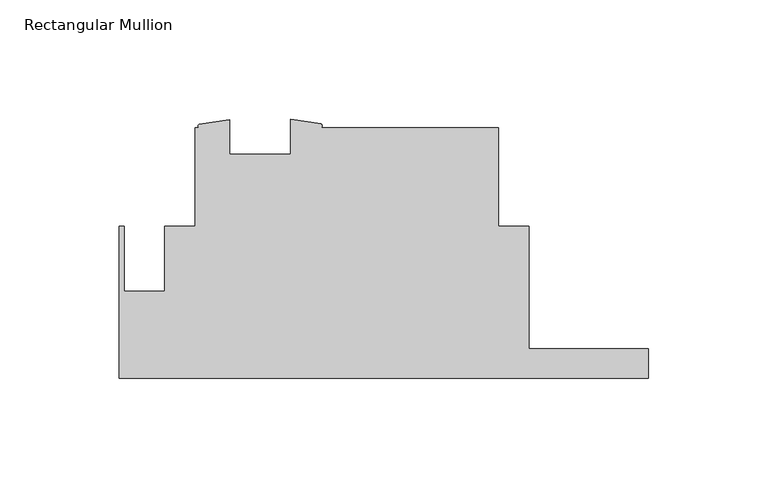
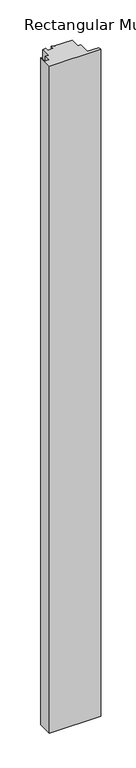
"""IFC4 building model written with IfcOpenShell, lengths in millimetres: member geometry, Rectangular Mullion."""

from ifc_helpers import new_model, si_unit, point, frame, frame_2d, origin, place, context, project, spatial, polyline, circle_curve, trimmed, segment, composite_curve, outline, extrude, source, transform, mapped, element, save


def rectangular_mullion_c53fd9e2(model_context):
    return source(origin(), model_context, "Body", "SweptSolid", [
        extrude(outline(composite_curve([segment(polyline([(0.0, -62.4288555), (-221.4879999, -62.4288555), (-221.4879999, 1.0711442), (-219.4559999, 1.0711442), (-219.4559999, -26.0886564), (-202.5553426, -26.0886564), (-202.5553426, 1.0965445), (-189.7390309, 1.0965445), (-189.7390309, 42.3461442), (-188.0067934, 42.3461442)]), True, "CONTINUOUS"), segment(trimmed(circle_curve(frame_2d((-187.5524763, 43.1390923)), 0.9138768), [point((-188.0067934, 42.3461442))], [point((-188.0067934, 43.9320404))], False, "CARTESIAN"), True, "CONTINUOUS"), segment(polyline([(-188.0067934, 43.9320404), (-175.2355059, 45.7421442), (-175.2355059, 31.2336442), (-149.8355059, 31.2336442), (-149.8355059, 45.8656659), (-137.0624531, 44.0095486)]), True, "CONTINUOUS"), segment(trimmed(circle_curve(frame_2d((-137.6102012, 43.1778464)), 0.9958697), [point((-137.0624531, 44.0095486))], [point((-137.0624531, 42.3461442))], False, "CARTESIAN"), True, "CONTINUOUS"), segment(polyline([(-137.0624531, 42.3461442), (-62.7390309, 42.3461442), (-62.7390309, 1.1034101), (-50.038, 1.1034101), (-50.038, -50.1098555), (0.0, -50.1098555), (0.0, -62.4288555)]), True, "CONTINUOUS")], self_intersect=False)), frame((0.0, 0.0, -3048.0), z_axis=(0.0, 0.0, 1.0), x_axis=(1.0, 0.0, 0.0)), (0.0, 0.0, 1.0), 3048.0),
    ])


if __name__ == "__main__":
    model = new_model("IFC4")
    model_context = context("Model", 3, world=origin())
    ifc_project = project(units=[si_unit("LENGTHUNIT", "METRE", prefix="MILLI")], contexts=[model_context])
    site = spatial("IfcSite", under=ifc_project)
    building = spatial("IfcBuilding", under=site)
    placement = place(None, origin())
    rectangular_mullion_shape = rectangular_mullion_c53fd9e2(model_context)
    element("IfcMember", 1, ObjectType="Rectangular Mullion", at=placement, inside=building, context=model_context, shape_type="MappedRepresentation", body=[
        mapped(rectangular_mullion_shape, transform((0.0, 0.0, 0.0), x_axis=(1.0, 0.0, 0.0), y_axis=(0.0, 1.0, 0.0), z_axis=(0.0, 0.0, 1.0))),
    ])
    save(model, "model.ifc")
